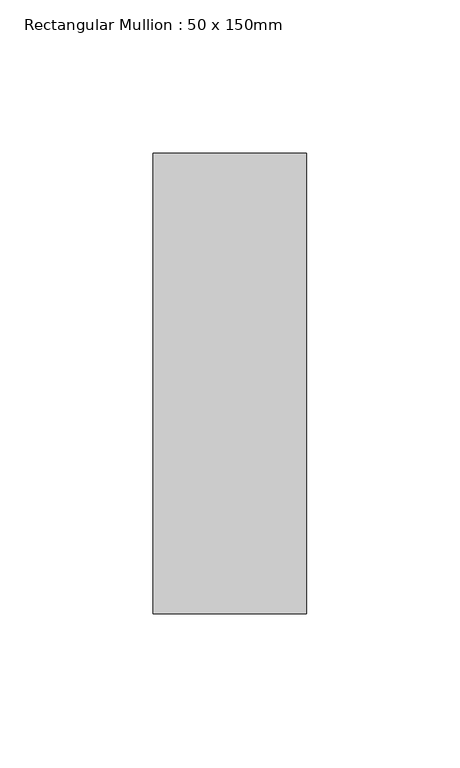
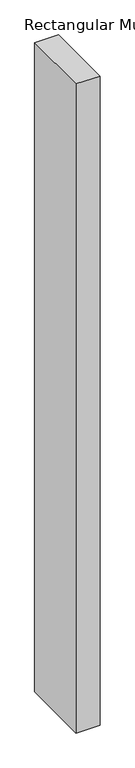
"""IFC4 building model written with IfcOpenShell, lengths in millimetres: member geometry, Rectangular Mullion : 50 x 150mm."""

from ifc_helpers import new_model, si_unit, frame, origin, place, context, project, spatial, polyline, outline, extrude, source, transform, mapped, element, save


def rectangular_mullion_50_x_150mm_cd9c65a7(model_context):
    return source(origin(), model_context, "Body", "SweptSolid", [
        extrude(outline(polyline([(25.0, 75.0), (25.0, -75.0), (-25.0, -75.0), (-25.0, 75.0), (25.0, 75.0)])), frame((0.0, 0.0, -1436.6666667), z_axis=(0.0, 0.0, 1.0), x_axis=(1.0, 0.0, 0.0)), (0.0, 0.0, 1.0), 1436.6666667),
    ])


if __name__ == "__main__":
    model = new_model("IFC4")
    model_context = context("Model", 3, world=origin())
    ifc_project = project(units=[si_unit("LENGTHUNIT", "METRE", prefix="MILLI")], contexts=[model_context])
    site = spatial("IfcSite", under=ifc_project)
    building = spatial("IfcBuilding", under=site)
    placement = place(None, origin())
    rectangular_mullion_50_x_150mm_shape = rectangular_mullion_50_x_150mm_cd9c65a7(model_context)
    element("IfcMember", 1, ObjectType="Rectangular Mullion : 50 x 150mm", at=placement, inside=building, context=model_context, shape_type="MappedRepresentation", body=[
        mapped(rectangular_mullion_50_x_150mm_shape, transform((0.0, 0.0, 0.0), x_axis=(1.0, 0.0, 0.0), y_axis=(0.0, 1.0, 0.0), z_axis=(0.0, 0.0, 1.0))),
    ])
    save(model, "model.ifc")
